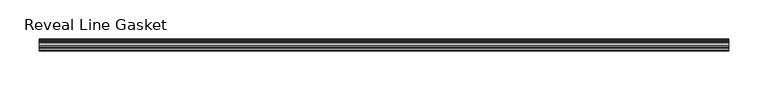
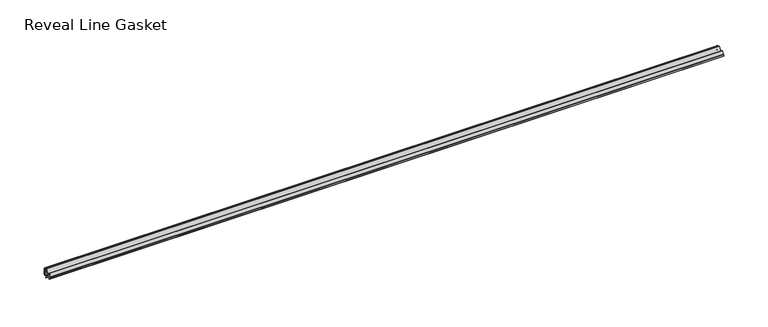
"""IFC4 building model written with IfcOpenShell, lengths in millimetres: furniture geometry, Reveal Line Gasket."""

from ifc_helpers import new_model, si_unit, point, frame, frame_2d, origin, place, context, project, spatial, polyline, circle_curve, trimmed, segment, composite_curve, outline, extrude, source, transform, mapped, element, save


def reveal_line_gasket_ffca1542(model_context):
    return source(origin(), model_context, "Body", "SweptSolid", [
        extrude(outline(composite_curve([segment(polyline([(7.6326998, 1603.2), (7.6326998, 1597.2), (7.4091917, 1596.2445073), (6.8813059, 1595.3115316)]), True, "CONTINUOUS"), segment(trimmed(circle_curve(frame_2d((6.5243141, 1595.5135207)), 0.4101739), [point((6.8813059, 1595.3115316))], [point((6.1246704, 1595.6058653))], False, "CARTESIAN"), True, "CONTINUOUS"), segment(polyline([(6.1246704, 1595.6058653), (6.3626997, 1597.3020914), (6.3626997, 1599.3345473)]), True, "CONTINUOUS"), segment(trimmed(circle_curve(frame_2d((5.6959605, 1598.9180742)), 0.786124), [point((6.3626997, 1599.3345473))], [point((5.0926996, 1599.422125))], True, "CARTESIAN"), True, "CONTINUOUS"), segment(polyline([(5.0926996, 1599.422125), (0.7492996, 1599.422125), (3.7293824, 1594.2604705)]), True, "CONTINUOUS"), segment(trimmed(circle_curve(frame_2d((3.3132479, 1594.1950239)), 0.4212495), [point((3.7293824, 1594.2604705))], [point((3.0485022, 1593.8673642))], False, "CARTESIAN"), True, "CONTINUOUS"), segment(polyline([(3.0485022, 1593.8673642), (-0.5742594, 1599.422125), (-4.8262978, 1599.422125), (-3.1660374, 1596.5464703)]), True, "CONTINUOUS"), segment(trimmed(circle_curve(frame_2d((-3.5978728, 1596.4881145)), 0.4357605), [point((-3.1660374, 1596.5464703))], [point((-3.864328, 1596.1433119))], False, "CARTESIAN"), True, "CONTINUOUS"), segment(polyline([(-3.864328, 1596.1433119), (-6.1944059, 1599.422125), (-7.6326998, 1599.422125), (-7.6326998, 1600.977875), (-6.1944059, 1600.977875), (-3.864328, 1604.2566881)]), True, "CONTINUOUS"), segment(trimmed(circle_curve(frame_2d((-3.5978728, 1603.9118855)), 0.4357605), [point((-3.864328, 1604.2566881))], [point((-3.1660374, 1603.8535297))], False, "CARTESIAN"), True, "CONTINUOUS"), segment(polyline([(-3.1660374, 1603.8535297), (-4.8262978, 1600.977875), (-0.5742594, 1600.977875), (3.0485022, 1606.5326358)]), True, "CONTINUOUS"), segment(trimmed(circle_curve(frame_2d((3.3132479, 1606.2049761)), 0.4212495), [point((3.0485022, 1606.5326358))], [point((3.7293824, 1606.1395295))], False, "CARTESIAN"), True, "CONTINUOUS"), segment(polyline([(3.7293824, 1606.1395295), (0.7492996, 1600.977875), (5.0926996, 1600.977875)]), True, "CONTINUOUS"), segment(trimmed(circle_curve(frame_2d((5.6959605, 1601.4819258)), 0.786124), [point((5.0926996, 1600.977875))], [point((6.3626997, 1601.0654527))], True, "CARTESIAN"), True, "CONTINUOUS"), segment(polyline([(6.3626997, 1601.0654527), (6.3626997, 1603.0979086), (6.1246704, 1604.7941347)]), True, "CONTINUOUS"), segment(trimmed(circle_curve(frame_2d((6.5243141, 1604.8864793)), 0.4101739), [point((6.1246704, 1604.7941347))], [point((6.8813059, 1605.0884684))], False, "CARTESIAN"), True, "CONTINUOUS"), segment(polyline([(6.8813059, 1605.0884684), (7.4091917, 1604.1554927), (7.6326998, 1603.2)]), True, "CONTINUOUS")], self_intersect=False)), frame((-439.5049898, 0.0, 0.0), z_axis=(1.0, 0.0, 0.0), x_axis=(0.0, 1.0, 0.0)), (0.0, 0.0, 1.0), 879.0099795),
    ])


if __name__ == "__main__":
    model = new_model("IFC4")
    model_context = context("Model", 3, world=origin())
    ifc_project = project(units=[si_unit("LENGTHUNIT", "METRE", prefix="MILLI")], contexts=[model_context])
    site = spatial("IfcSite", under=ifc_project)
    building = spatial("IfcBuilding", under=site)
    placement = place(None, origin())
    reveal_line_gasket_shape = reveal_line_gasket_ffca1542(model_context)
    element("IfcFurniture", 1, ObjectType="Reveal Line Gasket", at=placement, inside=building, context=model_context, shape_type="MappedRepresentation", body=[
        mapped(reveal_line_gasket_shape, transform((0.0, 0.0, 0.0), x_axis=(1.0, 0.0, 0.0), y_axis=(0.0, 1.0, 0.0), z_axis=(0.0, 0.0, 1.0))),
    ])
    save(model, "model.ifc")
